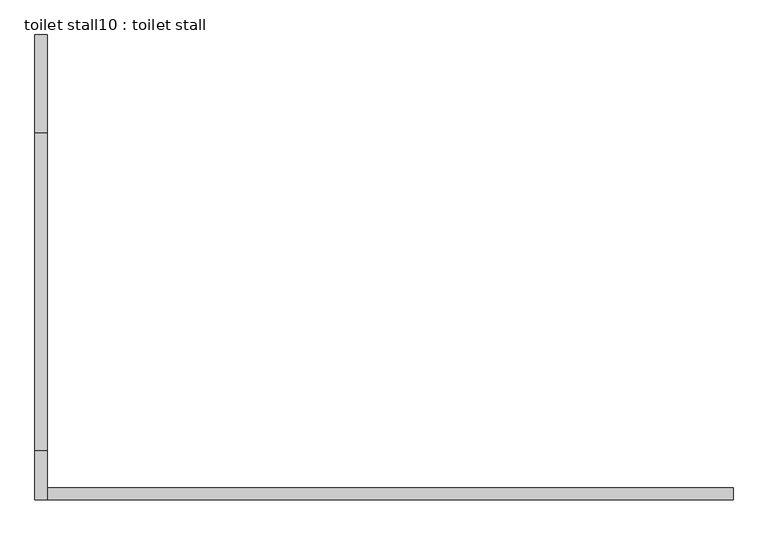
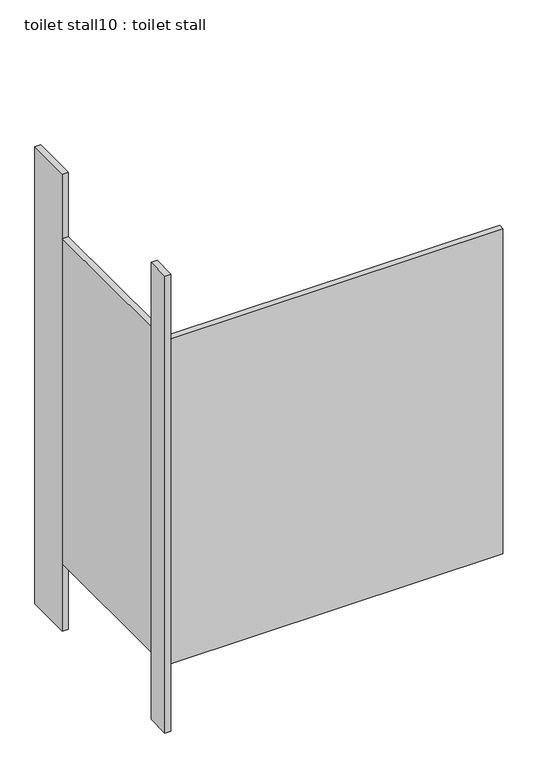
"""IFC4 building model written with IfcOpenShell, lengths in millimetres: proxy geometry, toilet stall10 : toilet stall."""

from ifc_helpers import new_model, si_unit, frame, origin, origin_with_axes, place, context, project, spatial, polyline, outline, extrude, source, transform, mapped, element, save


def toilet_stall10_toilet_stall_e3d9451e(model_context):
    return source(origin(), model_context, "Body", "SweptSolid", [
        extrude(outline(polyline([(454658.2004676, -274381.0988632), (454632.8004676, -274381.0988632), (454632.8004676, -274177.8988632), (454658.2004676, -274177.8988632), (454658.2004676, -274381.0988632)])), origin_with_axes(), (0.0, 0.0, 1.0), 2070.1),
        extrude(outline(polyline([(454658.2004676, -275143.0988632), (454632.8004676, -275143.0988632), (454632.8004676, -275041.4988632), (454658.2004676, -275041.4988632), (454658.2004676, -275143.0988632)])), origin_with_axes(), (0.0, 0.0, 1.0), 2070.1),
        extrude(outline(polyline([(454658.2004676, -275143.0988632), (454658.2004676, -275117.6988632), (456080.6004676, -275117.6988632), (456080.6004676, -275143.0988632), (454658.2004676, -275143.0988632)])), frame((0.0, 0.0, 304.8), z_axis=(0.0, 0.0, 1.0), x_axis=(1.0, 0.0, 0.0)), (0.0, 0.0, 1.0), 1473.2),
        extrude(outline(polyline([(454658.2004676, -275041.4988632), (454632.8004676, -275041.4988632), (454632.8004676, -274381.0988632), (454658.2004676, -274381.0988632), (454658.2004676, -275041.4988632)])), frame((0.0, 0.0, 304.8), z_axis=(0.0, 0.0, 1.0), x_axis=(1.0, 0.0, 0.0)), (0.0, 0.0, 1.0), 1473.2),
    ])


if __name__ == "__main__":
    model = new_model("IFC4")
    model_context = context("Model", 3, world=origin())
    ifc_project = project(units=[si_unit("LENGTHUNIT", "METRE", prefix="MILLI")], contexts=[model_context])
    site = spatial("IfcSite", under=ifc_project)
    building = spatial("IfcBuilding", under=site)
    placement = place(None, origin())
    toilet_stall10_toilet_stall_shape = toilet_stall10_toilet_stall_e3d9451e(model_context)
    element("IfcBuildingElementProxy", 1, Name="toilet stall10 : toilet stall", ObjectType="toilet stall10 : toilet stall", at=placement, inside=building, context=model_context, shape_type="MappedRepresentation", body=[
        mapped(toilet_stall10_toilet_stall_shape, transform((0.0, 0.0, 0.0), x_axis=(1.0, 0.0, 0.0), y_axis=(0.0, 1.0, 0.0), z_axis=(0.0, 0.0, 1.0))),
    ])
    save(model, "model.ifc")
